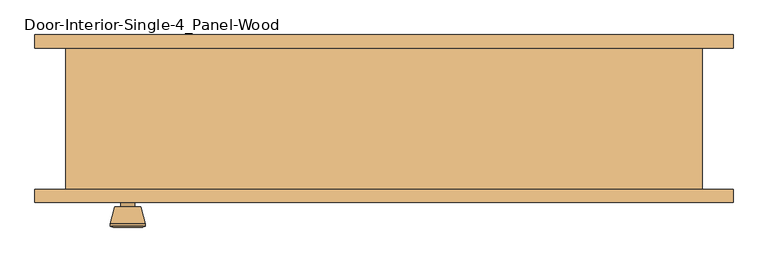
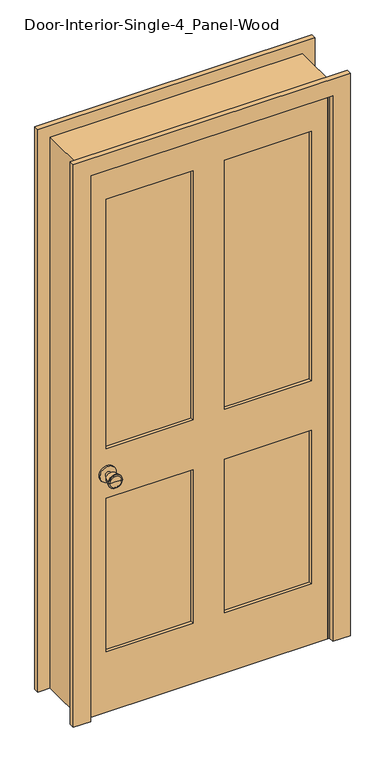
"""IFC4 building model written with IfcOpenShell, lengths in millimetres: door geometry, Door-Interior-Single-4_Panel-Wood."""

from ifc_helpers import new_model, si_unit, point, frame, frame_2d, origin, place, context, project, spatial, polyline, circle_curve, trimmed, segment, composite_curve, outline, extrude, faceted_brep, source, transform, mapped, element, save
from ifc_brep_helpers import plane_surface, cylinder_surface, revolved_surface, advanced_brep


def door_interior_single_4_panel_wood_fc0c0cc7(model_context):
    return source(origin(), model_context, "Body", "SolidModel", [
        advanced_brep(
        [(-368.3, -57.5, 914.4), (-378.3, -57.5, 914.4), (-358.3, -57.5, 914.4), (-347.8241324, -8.5, 914.4), (-388.7758676, -8.5, 914.4), (-368.3, -8.5, 914.4), (-343.3, -10.3278681, 914.4), (-393.3, -10.3278681, 914.4), (-343.3, -13.7915463, 914.4), (-393.3, -13.7915463, 914.4), (-349.663764, -38.5, 914.4), (-386.936236, -38.5, 914.4), (-358.3, -38.5, 914.4), (-378.3, -38.5, 914.4)],
        [
            (0, 1),
            (1, 2, circle_curve(frame((-368.3, -57.5, 914.4), z_axis=(0.0, -1.0, 0.0), x_axis=(-1.0, 0.0, 0.0)), 10.0)),
            (2, 0),
            (2, 1, circle_curve(frame((-368.3, -57.5, 914.4), z_axis=(0.0, -1.0, 0.0), x_axis=(-1.0, 0.0, 0.0)), 10.0)),
            (3, 4, circle_curve(frame((-368.3, -8.5, 914.4), z_axis=(0.0, 1.0, 0.0), x_axis=(-1.0, 0.0, 0.0)), 20.4758676)),
            (4, 5),
            (5, 3),
            (4, 3, circle_curve(frame((-368.3, -8.5, 914.4), z_axis=(0.0, 1.0, 0.0), x_axis=(-1.0, 0.0, 0.0)), 20.4758676)),
            (6, 7, circle_curve(frame((-368.3, -10.3278681, 914.4), z_axis=(0.0, 1.0, 0.0), x_axis=(-1.0, 0.0, 0.0)), 25.0)),
            (7, 4),
            (3, 6),
            (7, 6, circle_curve(frame((-368.3, -10.3278681, 914.4), z_axis=(0.0, 1.0, 0.0), x_axis=(-1.0, 0.0, 0.0)), 25.0)),
            (8, 9, circle_curve(frame((-368.3, -13.7915463, 914.4), z_axis=(0.0, 1.0, 0.0), x_axis=(-1.0, 0.0, 0.0)), 25.0)),
            (9, 7),
            (6, 8),
            (9, 8, circle_curve(frame((-368.3, -13.7915463, 914.4), z_axis=(0.0, 1.0, 0.0), x_axis=(-1.0, 0.0, 0.0)), 25.0)),
            (10, 11, circle_curve(frame((-368.3, -38.5, 914.4), z_axis=(0.0, 1.0, 0.0), x_axis=(-1.0, 0.0, 0.0)), 18.636236)),
            (11, 9),
            (8, 10),
            (11, 10, circle_curve(frame((-368.3, -38.5, 914.4), z_axis=(0.0, 1.0, 0.0), x_axis=(-1.0, 0.0, 0.0)), 18.636236)),
            (12, 13, circle_curve(frame((-368.3, -38.5, 914.4), z_axis=(0.0, 1.0, 0.0), x_axis=(-1.0, 0.0, 0.0)), 10.0)),
            (13, 11),
            (10, 12),
            (13, 12, circle_curve(frame((-368.3, -38.5, 914.4), z_axis=(0.0, 1.0, 0.0), x_axis=(-1.0, 0.0, 0.0)), 10.0)),
            (1, 13),
            (12, 2),
        ],
        [
            plane_surface(frame((-368.3, -57.5, 914.4), z_axis=(0.0, -1.0, 0.0), x_axis=(-1.0, 0.0, 0.0))),
            plane_surface(frame((-368.3, -8.5, 914.4), z_axis=(0.0, 1.0, 0.0), x_axis=(-1.0, 0.0, 0.0))),
            revolved_surface(polyline([(-388.7758676, -8.5, 914.4), (-393.3, -10.3278681, 914.4)]), (-368.3, -57.5, 914.4), (0.0, -1.0, 0.0)),
            cylinder_surface(frame((-368.3, -57.5, 914.4), z_axis=(0.0, -1.0, 0.0), x_axis=(-1.0, 0.0, 0.0)), 25.0),
            revolved_surface(polyline([(-393.3, -13.7915463, 914.4), (-386.936236, -38.5, 914.4)]), (-368.3, -57.5, 914.4), (0.0, -1.0, 0.0)),
            plane_surface(frame((-368.3, -38.5, 914.4), z_axis=(0.0, -1.0, 0.0), x_axis=(-1.0, 0.0, 0.0))),
            cylinder_surface(frame((-368.3, -57.5, 914.4), z_axis=(0.0, -1.0, 0.0), x_axis=(-1.0, 0.0, 0.0)), 10.0),
        ],
        [
            (0, [[1, 2, 3]]),
            (0, [[-3, 4, -1]]),
            (1, [[5, 6, 7]]),
            (1, [[8, -7, -6]]),
            (2, [[9, 10, -5, 11]]),
            (2, [[12, -11, -8, -10]]),
            (3, [[13, 14, -9, 15]]),
            (3, [[16, -15, -12, -14]]),
            (4, [[17, 18, -13, 19]]),
            (4, [[20, -19, -16, -18]]),
            (5, [[21, 22, -17, 23]]),
            (5, [[24, -23, -20, -22]]),
            (6, [[-2, 25, -21, 26]]),
            (6, [[-4, -26, -24, -25]]),
        ],
    ),
        extrude(outline(composite_curve([segment(trimmed(circle_curve(frame_2d((914.4, -368.3)), 30.0), [point((914.4, -398.3))], [point((914.4, -338.3))], False, "CARTESIAN"), True, "CONTINUOUS"), segment(trimmed(circle_curve(frame_2d((914.4, -368.3)), 30.0), [point((914.4, -338.3))], [point((914.4, -398.3))], False, "CARTESIAN"), True, "CONTINUOUS")], self_intersect=False)), frame((0.0, -63.5, 0.0), z_axis=(0.0, 1.0, 0.0), x_axis=(0.0, 0.0, 1.0)), (0.0, 0.0, 1.0), 6.0),
        advanced_brep(
        [(-368.3, -104.425, 914.4), (-358.3, -104.425, 914.4), (-378.3, -104.425, 914.4), (-347.8241324, -153.425, 914.4), (-368.3, -153.425, 914.4), (-388.7758676, -153.425, 914.4), (-343.3, -151.5971319, 914.4), (-393.3, -151.5971319, 914.4), (-343.3, -148.1334537, 914.4), (-393.3, -148.1334537, 914.4), (-349.663764, -123.425, 914.4), (-386.936236, -123.425, 914.4), (-358.3, -123.425, 914.4), (-378.3, -123.425, 914.4)],
        [
            (0, 1),
            (1, 2, circle_curve(frame((-368.3, -104.425, 914.4), z_axis=(0.0, 1.0, 0.0), x_axis=(-1.0, 0.0, 0.0)), 10.0)),
            (2, 0),
            (2, 1, circle_curve(frame((-368.3, -104.425, 914.4), z_axis=(0.0, 1.0, 0.0), x_axis=(-1.0, 0.0, 0.0)), 10.0)),
            (3, 4),
            (4, 5),
            (5, 3, circle_curve(frame((-368.3, -153.425, 914.4), z_axis=(0.0, -1.0, 0.0), x_axis=(-1.0, 0.0, 0.0)), 20.4758676)),
            (3, 5, circle_curve(frame((-368.3, -153.425, 914.4), z_axis=(0.0, -1.0, 0.0), x_axis=(-1.0, 0.0, 0.0)), 20.4758676)),
            (6, 3),
            (5, 7),
            (7, 6, circle_curve(frame((-368.3, -151.5971319, 914.4), z_axis=(0.0, -1.0, 0.0), x_axis=(-1.0, 0.0, 0.0)), 25.0)),
            (6, 7, circle_curve(frame((-368.3, -151.5971319, 914.4), z_axis=(0.0, -1.0, 0.0), x_axis=(-1.0, 0.0, 0.0)), 25.0)),
            (8, 6),
            (7, 9),
            (9, 8, circle_curve(frame((-368.3, -148.1334537, 914.4), z_axis=(0.0, -1.0, 0.0), x_axis=(-1.0, 0.0, 0.0)), 25.0)),
            (8, 9, circle_curve(frame((-368.3, -148.1334537, 914.4), z_axis=(0.0, -1.0, 0.0), x_axis=(-1.0, 0.0, 0.0)), 25.0)),
            (10, 8),
            (9, 11),
            (11, 10, circle_curve(frame((-368.3, -123.425, 914.4), z_axis=(0.0, -1.0, 0.0), x_axis=(-1.0, 0.0, 0.0)), 18.636236)),
            (10, 11, circle_curve(frame((-368.3, -123.425, 914.4), z_axis=(0.0, -1.0, 0.0), x_axis=(-1.0, 0.0, 0.0)), 18.636236)),
            (12, 10),
            (11, 13),
            (13, 12, circle_curve(frame((-368.3, -123.425, 914.4), z_axis=(0.0, -1.0, 0.0), x_axis=(-1.0, 0.0, 0.0)), 10.0)),
            (12, 13, circle_curve(frame((-368.3, -123.425, 914.4), z_axis=(0.0, -1.0, 0.0), x_axis=(-1.0, 0.0, 0.0)), 10.0)),
            (1, 12),
            (13, 2),
        ],
        [
            plane_surface(frame((-368.3, -104.425, 914.4), z_axis=(0.0, 1.0, 0.0), x_axis=(-1.0, 0.0, 0.0))),
            plane_surface(frame((-368.3, -153.425, 914.4), z_axis=(0.0, -1.0, 0.0), x_axis=(-1.0, 0.0, 0.0))),
            revolved_surface(polyline([(-388.7758676, -153.425, 914.4), (-393.3, -151.5971319, 914.4)]), (-368.3, -104.425, 914.4), (0.0, 1.0, 0.0)),
            cylinder_surface(frame((-368.3, -104.425, 914.4), z_axis=(0.0, 1.0, 0.0), x_axis=(-1.0, 0.0, 0.0)), 25.0),
            revolved_surface(polyline([(-393.3, -148.1334537, 914.4), (-386.936236, -123.425, 914.4)]), (-368.3, -104.425, 914.4), (0.0, 1.0, 0.0)),
            plane_surface(frame((-368.3, -123.425, 914.4), z_axis=(0.0, 1.0, 0.0), x_axis=(-1.0, 0.0, 0.0))),
            cylinder_surface(frame((-368.3, -104.425, 914.4), z_axis=(0.0, 1.0, 0.0), x_axis=(-1.0, 0.0, 0.0)), 10.0),
        ],
        [
            (0, [[1, 2, 3]]),
            (0, [[-3, 4, -1]]),
            (1, [[5, 6, 7]]),
            (1, [[-6, -5, 8]]),
            (2, [[9, -7, 10, 11]]),
            (2, [[-10, -8, -9, 12]]),
            (3, [[13, -11, 14, 15]]),
            (3, [[-14, -12, -13, 16]]),
            (4, [[17, -15, 18, 19]]),
            (4, [[-18, -16, -17, 20]]),
            (5, [[21, -19, 22, 23]]),
            (5, [[-22, -20, -21, 24]]),
            (6, [[25, -23, 26, -2]]),
            (6, [[-26, -24, -25, -4]]),
        ],
    ),
        extrude(outline(composite_curve([segment(trimmed(circle_curve(frame_2d((914.4, -368.3)), 30.0), [point((914.4, -398.3))], [point((914.4, -338.3))], False, "CARTESIAN"), True, "CONTINUOUS"), segment(trimmed(circle_curve(frame_2d((914.4, -368.3)), 30.0), [point((914.4, -338.3))], [point((914.4, -398.3))], False, "CARTESIAN"), True, "CONTINUOUS")], self_intersect=False)), frame((0.0, -104.425, 0.0), z_axis=(0.0, 1.0, 0.0), x_axis=(0.0, 0.0, 1.0)), (0.0, 0.0, 1.0), 6.0),
        faceted_brep([(457.2, -98.425, 0.0), (431.8, -98.425, 0.0), (431.8, -63.5, 0.0), (419.1, -63.5, 0.0), (419.1, -28.575, 0.0), (431.8, -28.575, 0.0), (431.8, 104.775, 0.0), (457.2, 104.775, 0.0), (457.2, 104.775, 2108.2), (457.2, -98.425, 2108.2), (431.8, 104.775, 2082.8), (-431.8, 104.775, 2082.8), (-431.8, 104.775, 0.0), (-457.2, 104.775, 0.0), (-457.2, 104.775, 2108.2), (431.8, -28.575, 2082.8), (419.1, -28.575, 2070.1), (-419.1, -28.575, 2070.1), (-419.1, -28.575, 0.0), (-431.8, -28.575, 0.0), (-431.8, -28.575, 2082.8), (419.1, -63.5, 2070.1), (431.8, -63.5, 2082.8), (-431.8, -63.5, 2082.8), (-431.8, -63.5, 0.0), (-419.1, -63.5, 0.0), (-419.1, -63.5, 2070.1), (431.8, -98.425, 2082.8), (-457.2, -98.425, 2108.2), (-457.2, -98.425, 0.0), (-431.8, -98.425, 0.0), (-431.8, -98.425, 2082.8)], [[[0, 1, 2, 3, 4, 5, 6, 7]], [[7, 8, 9, 0]], [[6, 10, 11, 12, 13, 14, 8, 7]], [[5, 15, 10, 6]], [[4, 16, 17, 18, 19, 20, 15, 5]], [[3, 21, 16, 4]], [[2, 22, 23, 24, 25, 26, 21, 3]], [[1, 27, 22, 2]], [[0, 9, 28, 29, 30, 31, 27, 1]], [[8, 14, 28, 9]], [[15, 20, 11, 10]], [[21, 26, 17, 16]], [[27, 31, 23, 22]], [[29, 13, 12, 19, 18, 25, 24, 30]], [[14, 13, 29, 28]], [[20, 19, 12, 11]], [[26, 25, 18, 17]], [[31, 30, 24, 23]]]),
        extrude(outline(polyline([(2082.8, -431.8), (0.0, -431.8), (0.0, 431.8), (2082.8, 431.8), (2082.8, -431.8)]), holes=[polyline([(1963.7375, 57.15), (1963.7375, 371.475), (1009.65, 371.475), (1009.65, 57.15), (1963.7375, 57.15)]), polyline([(1009.65, -57.15), (1009.65, -371.475), (1963.7375, -371.475), (1963.7375, -57.15), (1009.65, -57.15)]), polyline([(819.15, 57.15), (819.15, 371.475), (231.775, 371.475), (231.775, 57.15), (819.15, 57.15)]), polyline([(231.775, -57.15), (231.775, -371.475), (819.15, -371.475), (819.15, -57.15), (231.775, -57.15)])]), frame((0.0, -98.425, 0.0), z_axis=(0.0, 1.0, 0.0), x_axis=(0.0, 0.0, 1.0)), (0.0, 0.0, 1.0), 34.925),
        extrude(outline(polyline([(371.475, -75.1416667), (371.475, -86.7833333), (57.15, -86.7833333), (57.15, -75.1416667), (371.475, -75.1416667)])), frame((0.0, 0.0, 1009.65), z_axis=(0.0, 0.0, 1.0), x_axis=(1.0, 0.0, 0.0)), (0.0, 0.0, 1.0), 954.0875),
        extrude(outline(polyline([(-57.15, -75.1416667), (-57.15, -86.7833333), (-371.475, -86.7833333), (-371.475, -75.1416667), (-57.15, -75.1416667)])), frame((0.0, 0.0, 1009.65), z_axis=(0.0, 0.0, 1.0), x_axis=(1.0, 0.0, 0.0)), (0.0, 0.0, 1.0), 954.0875),
        extrude(outline(polyline([(371.475, -75.1416667), (371.475, -86.7833333), (57.15, -86.7833333), (57.15, -75.1416667), (371.475, -75.1416667)])), frame((0.0, 0.0, 231.775), z_axis=(0.0, 0.0, 1.0), x_axis=(1.0, 0.0, 0.0)), (0.0, 0.0, 1.0), 587.375),
        extrude(outline(polyline([(-57.15, -75.1416667), (-57.15, -86.7833333), (-371.475, -86.7833333), (-371.475, -75.1416667), (-57.15, -75.1416667)])), frame((0.0, 0.0, 231.775), z_axis=(0.0, 0.0, 1.0), x_axis=(1.0, 0.0, 0.0)), (0.0, 0.0, 1.0), 587.375),
        extrude(outline(polyline([(0.0, 501.65), (2152.65, 501.65), (2152.65, -501.65), (0.0, -501.65), (0.0, -438.15), (2089.15, -438.15), (2089.15, 438.15), (0.0, 438.15), (0.0, 501.65)])), frame((0.0, -117.475, 0.0), z_axis=(0.0, 1.0, 0.0), x_axis=(0.0, 0.0, 1.0)), (0.0, 0.0, 1.0), 19.05),
        extrude(outline(polyline([(0.0, 501.65), (2152.65, 501.65), (2152.65, -501.65), (0.0, -501.65), (0.0, -438.15), (2089.15, -438.15), (2089.15, 438.15), (0.0, 438.15), (0.0, 501.65)])), frame((0.0, 104.775, 0.0), z_axis=(0.0, 1.0, 0.0), x_axis=(0.0, 0.0, 1.0)), (0.0, 0.0, 1.0), 19.05),
    ])


if __name__ == "__main__":
    model = new_model("IFC4")
    model_context = context("Model", 3, world=origin())
    ifc_project = project(units=[si_unit("LENGTHUNIT", "METRE", prefix="MILLI")], contexts=[model_context])
    site = spatial("IfcSite", under=ifc_project)
    building = spatial("IfcBuilding", under=site)
    placement = place(None, origin())
    door_interior_single_4_panel_wood_shape = door_interior_single_4_panel_wood_fc0c0cc7(model_context)
    element("IfcDoor", 1, ObjectType="Door-Interior-Single-4_Panel-Wood", at=placement, inside=building, context=model_context, shape_type="MappedRepresentation", body=[
        mapped(door_interior_single_4_panel_wood_shape, transform((0.0, 0.0, 0.0), x_axis=(1.0, 0.0, 0.0), y_axis=(0.0, 1.0, 0.0), z_axis=(0.0, 0.0, 1.0))),
    ])
    save(model, "model.ifc")
